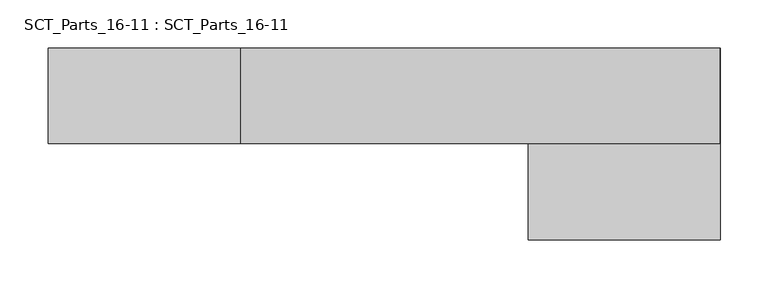
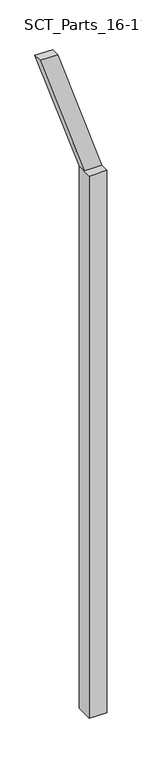
"""IFC4 building model written with IfcOpenShell, lengths in millimetres: proxy geometry, SCT_Parts_16-11 : SCT_Parts_16-11."""

from ifc_helpers import new_model, si_unit, frame, origin, origin_with_axes, place, context, project, spatial, polyline, outline, extrude, source, transform, mapped, element, save


def sct_parts_16_11_sct_parts_16_11_e5bf28dc(model_context):
    return source(origin(), model_context, "Body", "SweptSolid", [
        extrude(outline(polyline([(6500.0, 0.0), (6500.0, 200.0), (8000.0, -300.0), (8000.0, -500.0), (6500.0, 0.0)])), frame((0.0, -100.0, 0.0), z_axis=(0.0, 1.0, 0.0), x_axis=(0.0, 0.0, 1.0)), (0.0, 0.0, 1.0), 100.0),
        extrude(outline(polyline([(200.0, -200.0), (0.0, -200.0), (0.0, 0.0), (200.0, 0.0), (200.0, -200.0)])), origin_with_axes(), (0.0, 0.0, 1.0), 6500.0),
    ])


if __name__ == "__main__":
    model = new_model("IFC4")
    model_context = context("Model", 3, world=origin())
    ifc_project = project(units=[si_unit("LENGTHUNIT", "METRE", prefix="MILLI")], contexts=[model_context])
    site = spatial("IfcSite", under=ifc_project)
    building = spatial("IfcBuilding", under=site)
    placement = place(None, origin())
    sct_parts_16_11_sct_parts_16_11_shape = sct_parts_16_11_sct_parts_16_11_e5bf28dc(model_context)
    element("IfcBuildingElementProxy", 1, Name="SCT_Parts_16-11 : SCT_Parts_16-11", ObjectType="SCT_Parts_16-11 : SCT_Parts_16-11", at=placement, inside=building, context=model_context, shape_type="MappedRepresentation", body=[
        mapped(sct_parts_16_11_sct_parts_16_11_shape, transform((0.0, 0.0, 0.0), x_axis=(1.0, 0.0, 0.0), y_axis=(0.0, 1.0, 0.0), z_axis=(0.0, 0.0, 1.0))),
    ])
    save(model, "model.ifc")
